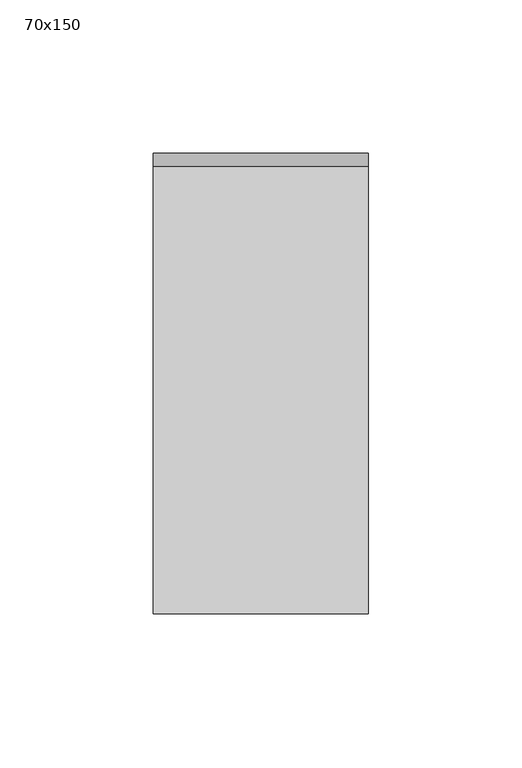
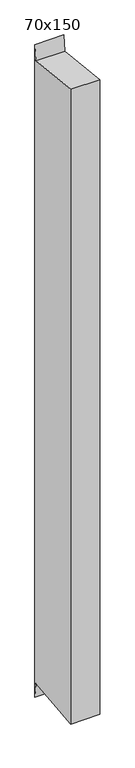
"""IFC4 building model written with IfcOpenShell, lengths in millimetres: member geometry, 70x150."""

from ifc_helpers import new_model, si_unit, frame, origin, place, context, project, spatial, polyline, outline, extrude, source, transform, mapped, element, save


def member_70x150_a35bd7dc(model_context):
    return source(origin(), model_context, "Body", "SweptSolid", [
        extrude(outline(polyline([(-75.0, 7.8894794), (70.8124004, -7.8439487), (75.0, 30.9653901), (75.0, -1634.0539303), (70.8124004, -1595.2445915), (-75.0, -1610.9780196), (-75.0, 7.8894794)])), frame((-70.0, 0.0, 0.0), z_axis=(1.0, 0.0, 0.0), x_axis=(0.0, 1.0, 0.0)), (0.0, 0.0, 1.0), 70.0),
    ])


if __name__ == "__main__":
    model = new_model("IFC4")
    model_context = context("Model", 3, world=origin())
    ifc_project = project(units=[si_unit("LENGTHUNIT", "METRE", prefix="MILLI")], contexts=[model_context])
    site = spatial("IfcSite", under=ifc_project)
    building = spatial("IfcBuilding", under=site)
    placement = place(None, origin())
    member_70x150_shape = member_70x150_a35bd7dc(model_context)
    element("IfcMember", 1, ObjectType="70x150", at=placement, inside=building, context=model_context, shape_type="MappedRepresentation", body=[
        mapped(member_70x150_shape, transform((0.0, 0.0, 0.0), x_axis=(1.0, 0.0, 0.0), y_axis=(0.0, 1.0, 0.0), z_axis=(0.0, 0.0, 1.0))),
    ])
    save(model, "model.ifc")
